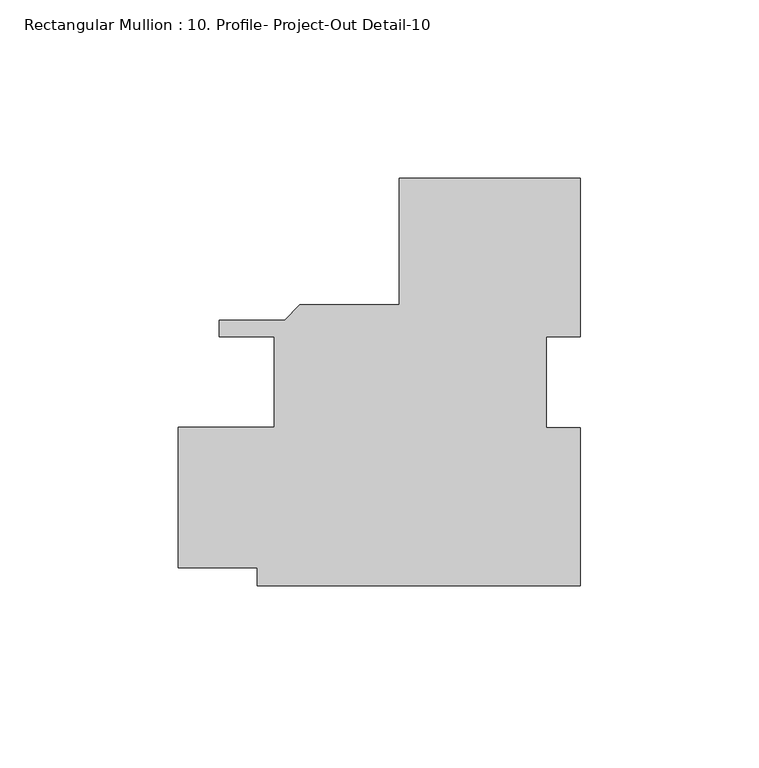
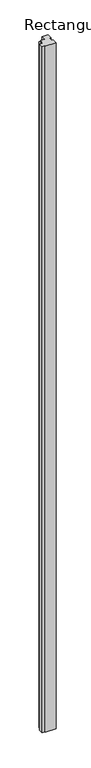
"""IFC4 building model written with IfcOpenShell, lengths in millimetres: member geometry, Rectangular Mullion : 10. Profile- Project-Out Detail-10."""

import ifcopenshell
import ifcopenshell.guid

model = None  # the IFC model being written
_history = None  # IfcOwnerHistory: only IFC2X3 demands one
_inside = {}  # id of a spatial element -> (the spatial element, [elements in it])
_under = {}  # id of a project, library or spatial element -> (it, [spatial elements below it])
_declared = {}  # id of a project -> (the project, [libraries it declares])
_typed = {}  # id of a type object -> (the type object, [elements of that type])
_made_of = {}  # id of a material, layer set ... -> (it, [elements and type objects made of it])


def new_model(schema):
    """Start an empty IFC model of exactly this schema.

    Asked for "IFC4X3", IfcOpenShell would pick the latest addendum, in which some entities
    have other attributes; the version numbers below select the first issue.
    IFC2X3 requires an IfcOwnerHistory on every rooted entity: one is made here for all.
    """
    global model, _history
    if schema == "IFC4X3":
        model = ifcopenshell.file(schema_version=(4, 3, 0, 0))
    else:
        model = ifcopenshell.file(schema=schema)
    _inside.clear()
    _under.clear()
    _declared.clear()
    _typed.clear()
    _made_of.clear()
    _history = None
    if model.schema == "IFC2X3":
        org = make("IfcOrganization", Name="unknown")
        user = make(
            "IfcPersonAndOrganization",
            ThePerson=make("IfcPerson", FamilyName="unknown"),
            TheOrganization=org,
        )
        app = make(
            "IfcApplication",
            ApplicationDeveloper=org,
            Version="unknown",
            ApplicationFullName="unknown",
            ApplicationIdentifier="unknown",
        )
        _history = make(
            "IfcOwnerHistory",
            OwningUser=user,
            OwningApplication=app,
            ChangeAction="ADDED",
            CreationDate=0,
        )
    return model


def make(cls, **values):
    """One entity of the class cls with the attributes given. An attribute that is None is left unset."""
    return model.create_entity(
        cls, **{name: value for name, value in values.items() if value is not None}
    )


def rooted(cls, **values):
    """An entity with a GlobalId (a new one), such as an element, a storey or a relation."""
    return make(cls, GlobalId=ifcopenshell.guid.new(), OwnerHistory=_history, **values)


def si_unit(unit_type, name, prefix=None):
    """IfcSIUnit, for example si_unit("LENGTHUNIT", "METRE", prefix="MILLI")."""
    return make("IfcSIUnit", UnitType=unit_type, Prefix=prefix, Name=name)


def assignment(units):
    """IfcUnitAssignment: the units of a project."""
    return None if units is None else make("IfcUnitAssignment", Units=units)


def point(xyz):
    """IfcCartesianPoint."""
    return None if xyz is None else make("IfcCartesianPoint", Coordinates=xyz)


def direction(xyz):
    """IfcDirection."""
    return None if xyz is None else make("IfcDirection", DirectionRatios=xyz)


def frame(location, z_axis=None, x_axis=None):
    """IfcAxis2Placement3D, a coordinate frame: its origin and axes. An axis left out is left unset."""
    return make(
        "IfcAxis2Placement3D",
        Location=point(location),
        Axis=direction(z_axis),
        RefDirection=direction(x_axis),
    )


def origin():
    """The frame at (0, 0, 0) with its axes left unset."""
    return frame((0.0, 0.0, 0.0))


def place(relative_to, where):
    """IfcLocalPlacement: puts the frame where relative to a parent placement (None: the world)."""
    return make(
        "IfcLocalPlacement", PlacementRelTo=relative_to, RelativePlacement=where
    )


def context(
    kind, dimensions, precision=None, world=None, true_north=None, identifier=None
):
    """IfcGeometricRepresentationContext, for example the 3D "Model" context."""
    return make(
        "IfcGeometricRepresentationContext",
        ContextIdentifier=identifier,
        ContextType=kind,
        CoordinateSpaceDimension=dimensions,
        Precision=precision,
        WorldCoordinateSystem=world,
        TrueNorth=true_north,
    )


def project(units=None, contexts=None):
    """IfcProject with its units and contexts."""
    return rooted(
        "IfcProject",
        Name="project",
        RepresentationContexts=contexts,
        UnitsInContext=assignment(units),
    )


def spatial(cls, under=None, at=None, **own):
    """A site, building, storey or space (cls), placed at a placement, below another one or the project."""
    s = rooted(cls, ObjectPlacement=at, **own)
    if under is not None:
        _under.setdefault(under.id(), (under, []))[1].append(s)
    return s


def polyline(points):
    """IfcPolyline through the points."""
    return make("IfcPolyline", Points=[point(p) for p in points])


def outline(outer, holes=None, kind="AREA"):
    """IfcArbitraryClosedProfileDef: a profile drawn as a closed curve; with holes, ...WithVoids."""
    if holes is None:
        return make("IfcArbitraryClosedProfileDef", ProfileType=kind, OuterCurve=outer)
    return make(
        "IfcArbitraryProfileDefWithVoids",
        ProfileType=kind,
        OuterCurve=outer,
        InnerCurves=holes,
    )


def extrude(swept, where, along, depth):
    """IfcExtrudedAreaSolid: the profile swept, set in the frame where, extruded along a direction by depth."""
    return make(
        "IfcExtrudedAreaSolid",
        SweptArea=swept,
        Position=where,
        ExtrudedDirection=direction(along),
        Depth=depth,
    )


def shape(context_of_items, identifier, shape_type, items):
    """IfcShapeRepresentation: the items that make up one representation, for example the "Body"."""
    return make(
        "IfcShapeRepresentation",
        ContextOfItems=context_of_items,
        RepresentationIdentifier=identifier,
        RepresentationType=shape_type,
        Items=items,
    )


def source(mapping_origin, context_of_items, identifier, shape_type, items):
    """IfcRepresentationMap: a shape defined once, which mapped items show again and again."""
    return make(
        "IfcRepresentationMap",
        MappingOrigin=mapping_origin,
        MappedRepresentation=shape(context_of_items, identifier, shape_type, items),
    )


def transform(
    local_origin,
    x_axis=None,
    y_axis=None,
    z_axis=None,
    scale=None,
    scale2=None,
    scale3=None,
    uniform=True,
):
    """IfcCartesianTransformationOperator3D, or its non-uniform kind. x_axis, y_axis, z_axis: its Axis1, 2, 3."""
    if uniform:
        return make(
            "IfcCartesianTransformationOperator3D",
            Axis1=direction(x_axis),
            Axis2=direction(y_axis),
            LocalOrigin=point(local_origin),
            Scale=scale,
            Axis3=direction(z_axis),
        )
    return make(
        "IfcCartesianTransformationOperator3DnonUniform",
        Axis1=direction(x_axis),
        Axis2=direction(y_axis),
        LocalOrigin=point(local_origin),
        Scale=scale,
        Axis3=direction(z_axis),
        Scale2=scale2,
        Scale3=scale3,
    )


def mapped(mapping_source, mapping_target):
    """IfcMappedItem: shows the shape of a source again, moved by a transform."""
    return make(
        "IfcMappedItem", MappingSource=mapping_source, MappingTarget=mapping_target
    )


def made_of(thing, what):
    """Note that an element or type object is made of a material, layer set ...; save() writes the relation."""
    if what is not None:
        _made_of.setdefault(what.id(), (what, []))[1].append(thing)
    return thing


def element(
    cls,
    number,
    at=None,
    inside=None,
    cuts=None,
    type_object=None,
    material=None,
    context=None,
    identifier="Body",
    shape_type=None,
    held_by="IfcProductDefinitionShape",
    body=None,
    shapes=None,
    **own,
):
    """One element of the class cls, such as IfcWall. Its Tag is "e" and its number.

    at: its placement. inside: the storey or other place that contains it. cuts: it is an
    opening in that element (IfcRelVoidsElement). A single representation is given by context,
    identifier, shape_type and body (its items); several are given by shapes. held_by: the class
    of the entity that holds the representations. save() writes the other relations.
    """
    e = rooted(cls, Tag="e%d" % number, ObjectPlacement=at, **own)
    if body is not None:
        shapes = [shape(context, identifier, shape_type, body)]
    if shapes is not None:
        e.Representation = make(held_by, Representations=shapes)
    if inside is not None:
        _inside.setdefault(inside.id(), (inside, []))[1].append(e)
    if cuts is not None:
        rooted(
            "IfcRelVoidsElement", RelatingBuildingElement=cuts, RelatedOpeningElement=e
        )
    if type_object is not None:
        _typed.setdefault(type_object.id(), (type_object, []))[1].append(e)
    return made_of(e, material)


def aggregate(whole, parts):
    """IfcRelAggregates: a whole, such as a stair, and the parts it consists of."""
    return rooted("IfcRelAggregates", RelatingObject=whole, RelatedObjects=parts)


def save(model, path):
    """Write the relations noted so far, then the file.

    IfcRelAggregates (storeys below a building ...), IfcRelContainedInSpatialStructure (elements
    in a storey), IfcRelDefinesByType, IfcRelAssociatesMaterial and IfcRelDeclares: one each for
    every whole, place, type object, material and project.
    """
    for whole, parts in _under.values():
        aggregate(whole, parts)
    for where, things in _inside.values():
        rooted(
            "IfcRelContainedInSpatialStructure",
            RelatedElements=things,
            RelatingStructure=where,
        )
    for kind, things in _typed.values():
        rooted("IfcRelDefinesByType", RelatedObjects=things, RelatingType=kind)
    for what, things in _made_of.values():
        rooted("IfcRelAssociatesMaterial", RelatedObjects=things, RelatingMaterial=what)
    for by, libraries in _declared.values():
        rooted("IfcRelDeclares", RelatingContext=by, RelatedDefinitions=libraries)
    model.write(path)


def rectangular_mullion_10_profile_project_out_detail_10_a402670b(model_context):
    return source(origin(), model_context, "Body", "SweptSolid", [
        extrude(outline(polyline([(25.4054077, -57.1111897), (-65.1006057, -57.1111897), (-65.1006057, -52.0312104), (-87.3070923, -52.0312104), (-87.3070923, -12.6612104), (-60.3381058, -12.6612104), (-60.3381058, 12.7387895), (-75.8207418, 12.7387895), (-75.8207418, 17.4377896), (-57.4567475, 17.4377896), (-53.1895475, 21.7049896), (-25.4, 21.7049896), (-25.4, 57.1888103), (25.4, 57.1888103), (25.4, 12.7714426), (15.8809498, 12.7714426), (15.8809498, -12.7162558), (25.4054077, -12.7162558), (25.4054077, -57.1111897)])), frame((0.0, 0.0, -6096.0), z_axis=(0.0, 0.0, 1.0), x_axis=(1.0, 0.0, 0.0)), (0.0, 0.0, 1.0), 6096.0),
    ])


if __name__ == "__main__":
    model = new_model("IFC4")
    model_context = context("Model", 3, world=origin())
    ifc_project = project(units=[si_unit("LENGTHUNIT", "METRE", prefix="MILLI")], contexts=[model_context])
    site = spatial("IfcSite", under=ifc_project)
    building = spatial("IfcBuilding", under=site)
    placement = place(None, origin())
    rectangular_mullion_10_profile_project_out_detail_10_shape = rectangular_mullion_10_profile_project_out_detail_10_a402670b(model_context)
    element("IfcMember", 1, ObjectType="Rectangular Mullion : 10. Profile- Project-Out Detail-10", at=placement, inside=building, context=model_context, shape_type="MappedRepresentation", body=[
        mapped(rectangular_mullion_10_profile_project_out_detail_10_shape, transform((0.0, 0.0, 0.0), x_axis=(1.0, 0.0, 0.0), y_axis=(0.0, 1.0, 0.0), z_axis=(0.0, 0.0, 1.0))),
    ])
    save(model, "model.ifc")
